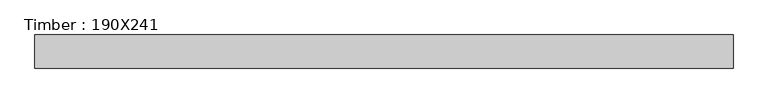
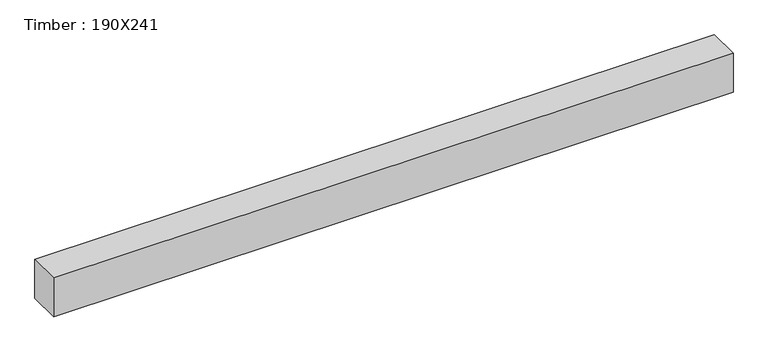
"""IFC4 building model written with IfcOpenShell, lengths in millimetres: beam geometry, Timber : 190X241."""

from ifc_helpers import new_model, si_unit, frame, origin, place, context, project, spatial, polyline, outline, extrude, source, transform, mapped, element, save


def timber_190x241_a49705f6(model_context):
    return source(origin(), model_context, "Body", "SweptSolid", [
        extrude(outline(polyline([(1921.0, 95.0), (1921.0, -95.0), (-2084.0, -95.0), (-2084.0, 95.0), (1921.0, 95.0)])), frame((0.0, 0.0, -120.5), z_axis=(0.0, 0.0, 1.0), x_axis=(1.0, 0.0, 0.0)), (0.0, 0.0, 1.0), 241.0),
    ])


if __name__ == "__main__":
    model = new_model("IFC4")
    model_context = context("Model", 3, world=origin())
    ifc_project = project(units=[si_unit("LENGTHUNIT", "METRE", prefix="MILLI")], contexts=[model_context])
    site = spatial("IfcSite", under=ifc_project)
    building = spatial("IfcBuilding", under=site)
    placement = place(None, origin())
    timber_190x241_shape = timber_190x241_a49705f6(model_context)
    element("IfcBeam", 1, ObjectType="Timber : 190X241", at=placement, inside=building, context=model_context, shape_type="MappedRepresentation", body=[
        mapped(timber_190x241_shape, transform((0.0, 0.0, 0.0), x_axis=(1.0, 0.0, 0.0), y_axis=(0.0, 1.0, 0.0), z_axis=(0.0, 0.0, 1.0))),
    ])
    save(model, "model.ifc")
